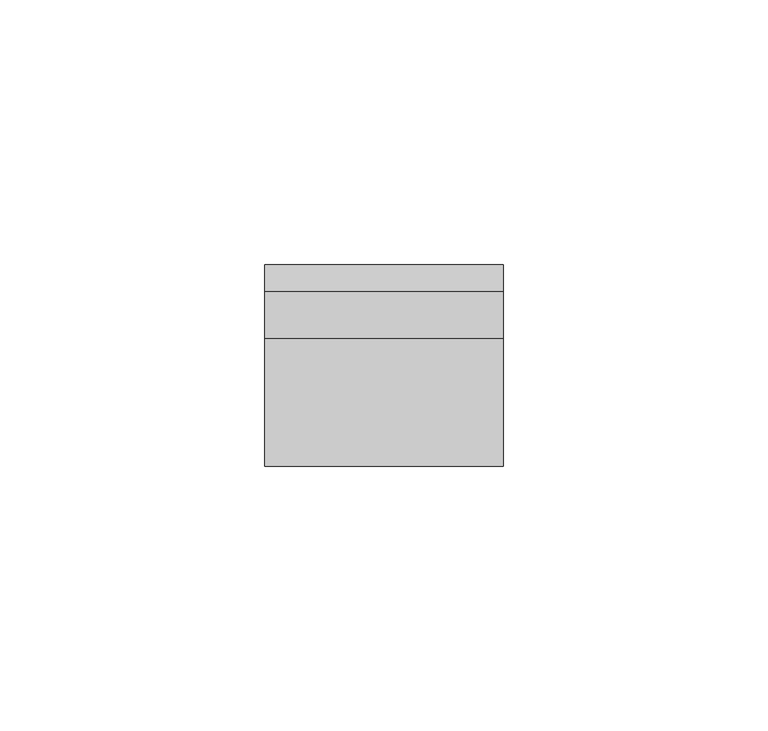
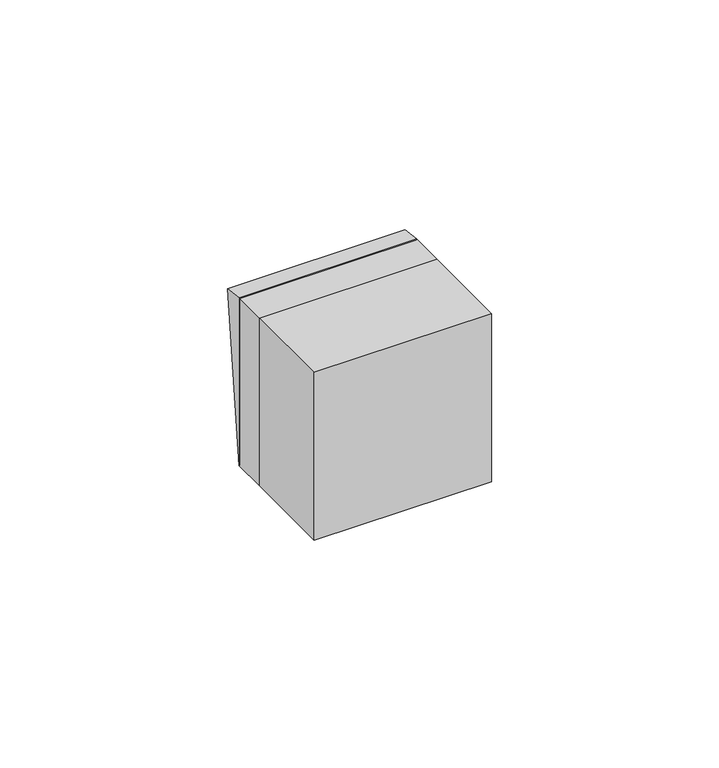
"""IFC4 building model written with IfcOpenShell, lengths in millimetres: switching device geometry."""

from ifc_helpers import new_model, si_unit, frame, origin, place, context, project, spatial, polyline, outline, extrude, source, transform, mapped, element, save


def switching_device_7dcecb6d(model_context):
    return source(origin(), model_context, "Body", "SweptSolid", [
        extrude(outline(polyline([(9.0, -22.5), (9.0, 22.5), (13.9850961, 21.9408026), (9.0, -22.5)])), frame((-22.5, 0.0, 0.0), z_axis=(1.0, 0.0, 0.0), x_axis=(0.0, 1.0, 0.0)), (0.0, 0.0, 1.0), 45.0),
        extrude(outline(polyline([(22.5, -24.0), (-22.5, -24.0), (-22.5, 0.0), (22.5, 0.0), (22.5, -24.0)])), frame((0.0, 0.0, -22.5), z_axis=(0.0, 0.0, 1.0), x_axis=(1.0, 0.0, 0.0)), (0.0, 0.0, 1.0), 45.0),
        extrude(outline(polyline([(22.5, 0.0), (-22.5, 0.0), (-22.5, 9.0), (22.5, 9.0), (22.5, 0.0)])), frame((0.0, 0.0, -22.5), z_axis=(0.0, 0.0, 1.0), x_axis=(1.0, 0.0, 0.0)), (0.0, 0.0, 1.0), 45.0),
    ])


if __name__ == "__main__":
    model = new_model("IFC4")
    model_context = context("Model", 3, world=origin())
    ifc_project = project(units=[si_unit("LENGTHUNIT", "METRE", prefix="MILLI")], contexts=[model_context])
    site = spatial("IfcSite", under=ifc_project)
    building = spatial("IfcBuilding", under=site)
    placement = place(None, origin())
    switching_device_shape = switching_device_7dcecb6d(model_context)
    element("IfcSwitchingDevice", 1, at=placement, inside=building, context=model_context, shape_type="MappedRepresentation", body=[
        mapped(switching_device_shape, transform((0.0, 0.0, 0.0), x_axis=(1.0, 0.0, 0.0), y_axis=(0.0, 1.0, 0.0), z_axis=(0.0, 0.0, 1.0))),
    ])
    save(model, "model.ifc")
